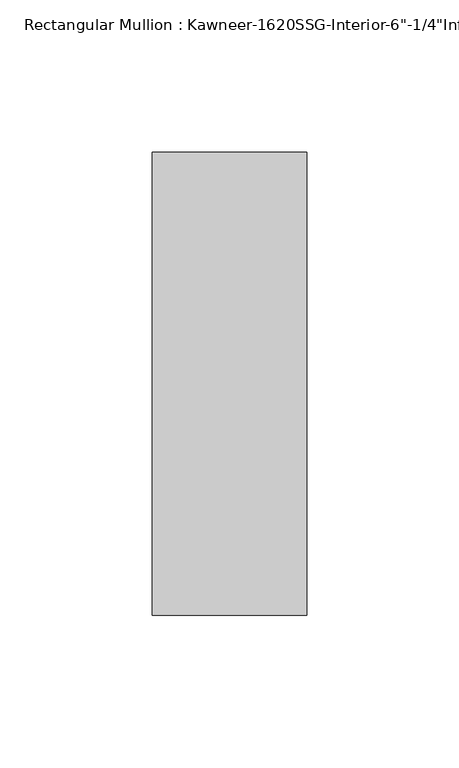
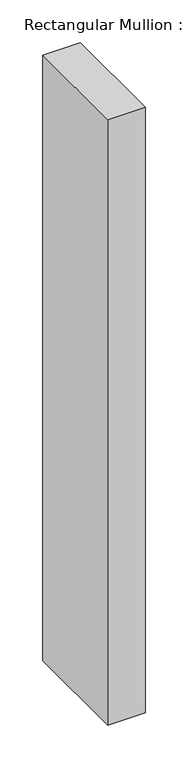
"""IFC4 building model written with IfcOpenShell, lengths in millimetres: member geometry."""

from ifc_helpers import new_model, si_unit, frame, origin, place, context, project, spatial, polyline, outline, extrude, source, transform, mapped, element, save


def member_a0d4b4c2(model_context):
    return source(origin(), model_context, "Body", "SweptSolid", [
        extrude(outline(polyline([(25.4, -123.825), (-25.4, -123.825), (-25.4, 28.575), (25.4, 28.575), (25.4, -123.825)])), frame((0.0, 0.0, -866.775), z_axis=(0.0, 0.0, 1.0), x_axis=(1.0, 0.0, 0.0)), (0.0, 0.0, 1.0), 866.775),
    ])


if __name__ == "__main__":
    model = new_model("IFC4")
    model_context = context("Model", 3, world=origin())
    ifc_project = project(units=[si_unit("LENGTHUNIT", "METRE", prefix="MILLI")], contexts=[model_context])
    site = spatial("IfcSite", under=ifc_project)
    building = spatial("IfcBuilding", under=site)
    placement = place(None, origin())
    member_shape = member_a0d4b4c2(model_context)
    element("IfcMember", 1, ObjectType="Rectangular Mullion : Kawneer-1620SSG-Interior-6\"-1/4\"Infill", at=placement, inside=building, context=model_context, shape_type="MappedRepresentation", body=[
        mapped(member_shape, transform((0.0, 0.0, 0.0), x_axis=(1.0, 0.0, 0.0), y_axis=(0.0, 1.0, 0.0), z_axis=(0.0, 0.0, 1.0))),
    ])
    save(model, "model.ifc")
